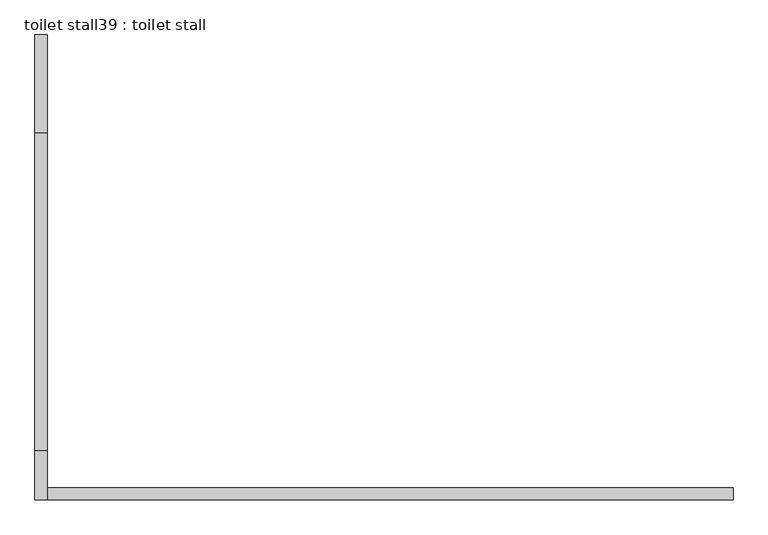
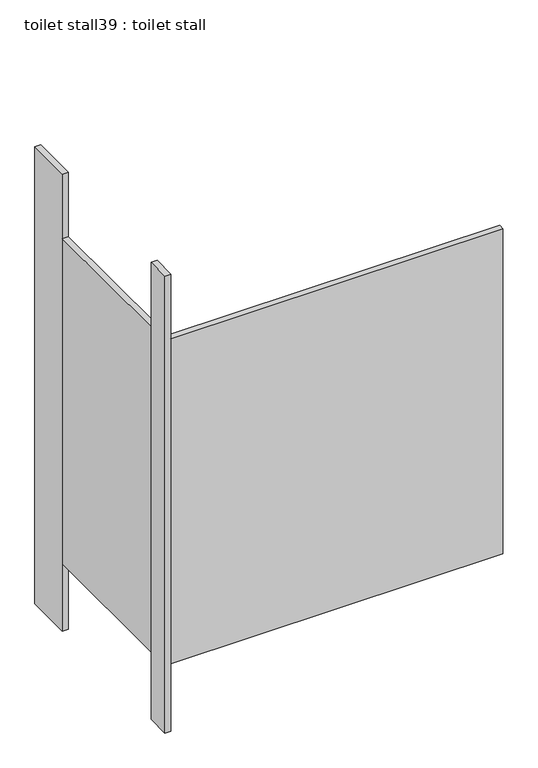
"""IFC4 building model written with IfcOpenShell, lengths in millimetres: proxy geometry, toilet stall39 : toilet stall."""

from ifc_helpers import new_model, si_unit, frame, origin, origin_with_axes, place, context, project, spatial, polyline, outline, extrude, source, transform, mapped, element, save


def toilet_stall39_toilet_stall_5efad115(model_context):
    return source(origin(), model_context, "Body", "SweptSolid", [
        extrude(outline(polyline([(454658.2004676, -271485.4988632), (454632.8004676, -271485.4988632), (454632.8004676, -271282.2988632), (454658.2004676, -271282.2988632), (454658.2004676, -271485.4988632)])), origin_with_axes(), (0.0, 0.0, 1.0), 2070.1),
        extrude(outline(polyline([(454658.2004676, -272247.4988632), (454632.8004676, -272247.4988632), (454632.8004676, -272145.8988632), (454658.2004676, -272145.8988632), (454658.2004676, -272247.4988632)])), origin_with_axes(), (0.0, 0.0, 1.0), 2070.1),
        extrude(outline(polyline([(454658.2004676, -272247.4988632), (454658.2004676, -272222.0988632), (456080.6004676, -272222.0988632), (456080.6004676, -272247.4988632), (454658.2004676, -272247.4988632)])), frame((0.0, 0.0, 304.8), z_axis=(0.0, 0.0, 1.0), x_axis=(1.0, 0.0, 0.0)), (0.0, 0.0, 1.0), 1473.2),
        extrude(outline(polyline([(454658.2004676, -272145.8988632), (454632.8004676, -272145.8988632), (454632.8004676, -271485.4988632), (454658.2004676, -271485.4988632), (454658.2004676, -272145.8988632)])), frame((0.0, 0.0, 304.8), z_axis=(0.0, 0.0, 1.0), x_axis=(1.0, 0.0, 0.0)), (0.0, 0.0, 1.0), 1473.2),
    ])


if __name__ == "__main__":
    model = new_model("IFC4")
    model_context = context("Model", 3, world=origin())
    ifc_project = project(units=[si_unit("LENGTHUNIT", "METRE", prefix="MILLI")], contexts=[model_context])
    site = spatial("IfcSite", under=ifc_project)
    building = spatial("IfcBuilding", under=site)
    placement = place(None, origin())
    toilet_stall39_toilet_stall_shape = toilet_stall39_toilet_stall_5efad115(model_context)
    element("IfcBuildingElementProxy", 1, Name="toilet stall39 : toilet stall", ObjectType="toilet stall39 : toilet stall", at=placement, inside=building, context=model_context, shape_type="MappedRepresentation", body=[
        mapped(toilet_stall39_toilet_stall_shape, transform((0.0, 0.0, 0.0), x_axis=(1.0, 0.0, 0.0), y_axis=(0.0, 1.0, 0.0), z_axis=(0.0, 0.0, 1.0))),
    ])
    save(model, "model.ifc")
